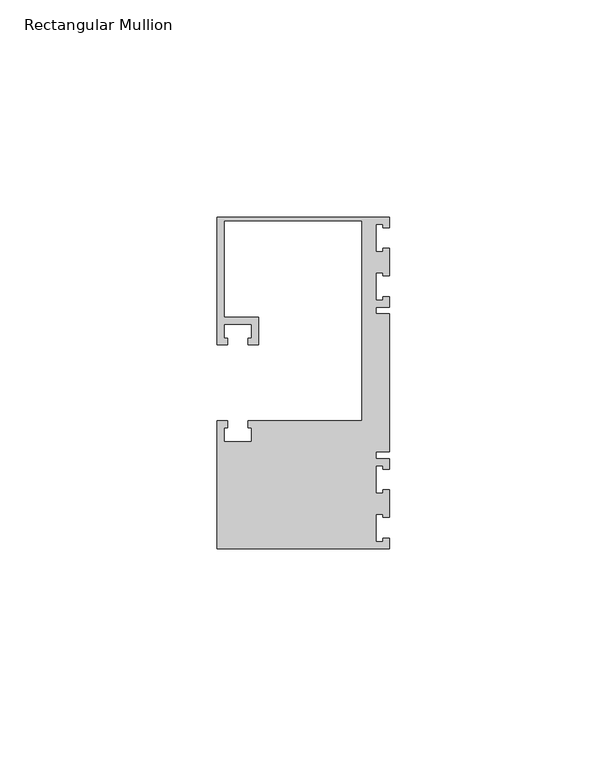
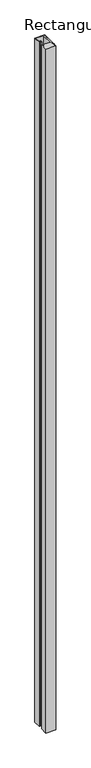
"""IFC4 building model written with IfcOpenShell, lengths in millimetres: member geometry, Rectangular Mullion."""

from ifc_helpers import new_model, si_unit, frame, origin, place, context, project, spatial, polyline, outline, extrude, source, transform, mapped, element, save


def rectangular_mullion_24b10256(model_context):
    return source(origin(), model_context, "Body", "SweptSolid", [
        extrude(outline(polyline([(0.0, 38.1), (0.0, 35.71875), (-1.4999946, 35.71875), (-1.4999946, 36.5125), (-3.175, 36.5125), (-3.175, 30.1625), (-1.4999946, 30.1625), (-1.4999946, 30.95625), (0.0, 30.95625), (0.0, 24.60625), (-1.4999946, 24.60625), (-1.4999946, 25.4), (-3.175, 25.4), (-3.175, 19.05), (-1.4999946, 19.05), (-1.4999946, 19.84375), (0.0, 19.84375), (0.0, 17.4625), (-3.175, 17.4625), (-3.175, 15.875), (0.0, 15.875), (0.0, -15.875), (-3.175, -15.875), (-3.175, -17.4625), (0.0, -17.4625), (0.0, -19.84375), (-1.4999946, -19.84375), (-1.4999946, -19.05), (-3.175, -19.05), (-3.175, -25.4), (-1.4999946, -25.4), (-1.4999946, -24.60625), (0.0, -24.60625), (0.0, -30.95625), (-1.4999946, -30.95625), (-1.4999946, -30.1625), (-3.175, -30.1625), (-3.175, -36.5125), (-1.4999946, -36.5125), (-1.4999946, -35.71875), (0.0, -35.71875), (0.0, -38.1), (-39.6875, -38.1), (-39.6875, -8.73125), (-37.30625, -8.73125), (-37.30625, -10.31875), (-38.1, -10.31875), (-38.1, -13.49375), (-31.75, -13.49375), (-31.75, -10.31875), (-32.54375, -10.31875), (-32.54375, -8.73125), (-6.35, -8.73125), (-6.35, 37.30625), (-38.1, 37.30625), (-38.1, 15.08125), (-30.1625, 15.08125), (-30.1625, 8.73125), (-32.54375, 8.73125), (-32.54375, 10.31875), (-31.75, 10.31875), (-31.75, 13.49375), (-38.1, 13.49375), (-38.1, 10.31875), (-37.30625, 10.31875), (-37.30625, 8.73125), (-39.6875, 8.73125), (-39.6875, 38.1), (0.0, 38.1)])), frame((0.0, 0.0, -2870.2), z_axis=(0.0, 0.0, 1.0), x_axis=(1.0, 0.0, 0.0)), (0.0, 0.0, 1.0), 2870.2),
    ])


if __name__ == "__main__":
    model = new_model("IFC4")
    model_context = context("Model", 3, world=origin())
    ifc_project = project(units=[si_unit("LENGTHUNIT", "METRE", prefix="MILLI")], contexts=[model_context])
    site = spatial("IfcSite", under=ifc_project)
    building = spatial("IfcBuilding", under=site)
    placement = place(None, origin())
    rectangular_mullion_shape = rectangular_mullion_24b10256(model_context)
    element("IfcMember", 1, ObjectType="Rectangular Mullion", at=placement, inside=building, context=model_context, shape_type="MappedRepresentation", body=[
        mapped(rectangular_mullion_shape, transform((0.0, 0.0, 0.0), x_axis=(1.0, 0.0, 0.0), y_axis=(0.0, 1.0, 0.0), z_axis=(0.0, 0.0, 1.0))),
    ])
    save(model, "model.ifc")
